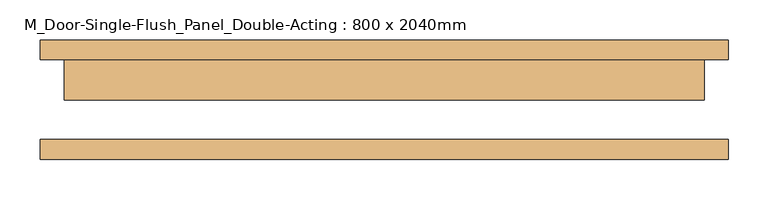
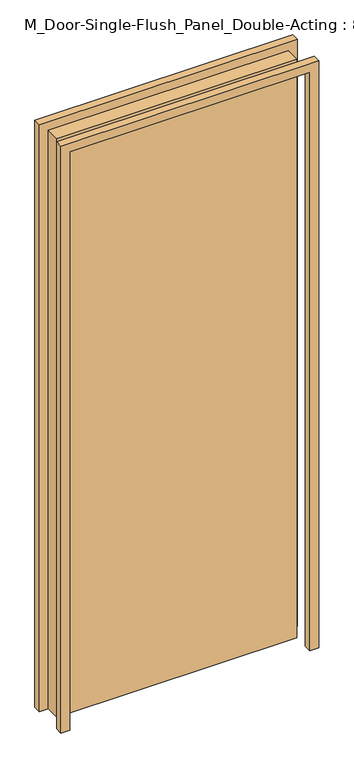
"""IFC4 building model written with IfcOpenShell, lengths in millimetres: door geometry, M_Door-Single-Flush_Panel_Double-Acting : 800 x 2040mm."""

from ifc_helpers import new_model, si_unit, frame, origin, origin_with_axes, place, context, project, spatial, polyline, outline, extrude, source, transform, mapped, element, save


def m_door_single_flush_panel_double_acting_800_x_2040mm_386a6dd9(model_context):
    return source(origin(), model_context, "Body", "SweptSolid", [
        extrude(outline(polyline([(400.0, 0.0), (-400.0, 0.0), (-400.0, 50.0), (400.0, 50.0), (400.0, 0.0)])), origin_with_axes(), (0.0, 0.0, 1.0), 2040.0),
        extrude(outline(polyline([(0.0, -400.0), (2040.0, -400.0), (2040.0, 400.0), (0.0, 400.0), (0.0, 430.0), (2070.0, 430.0), (2070.0, -430.0), (0.0, -430.0), (0.0, -400.0)])), frame((0.0, 50.0, 0.0), z_axis=(0.0, 1.0, 0.0), x_axis=(0.0, 0.0, 1.0)), (0.0, 0.0, 1.0), 25.0),
        extrude(outline(polyline([(0.0, 400.0), (0.0, 430.0), (2070.0, 430.0), (2070.0, -430.0), (0.0, -430.0), (0.0, -400.0), (2040.0, -400.0), (2040.0, 400.0), (0.0, 400.0)])), frame((0.0, -75.0, 0.0), z_axis=(0.0, 1.0, 0.0), x_axis=(0.0, 0.0, 1.0)), (0.0, 0.0, 1.0), 25.0),
    ])


if __name__ == "__main__":
    model = new_model("IFC4")
    model_context = context("Model", 3, world=origin())
    ifc_project = project(units=[si_unit("LENGTHUNIT", "METRE", prefix="MILLI")], contexts=[model_context])
    site = spatial("IfcSite", under=ifc_project)
    building = spatial("IfcBuilding", under=site)
    placement = place(None, origin())
    m_door_single_flush_panel_double_acting_800_x_2040mm_shape = m_door_single_flush_panel_double_acting_800_x_2040mm_386a6dd9(model_context)
    element("IfcDoor", 1, ObjectType="M_Door-Single-Flush_Panel_Double-Acting : 800 x 2040mm", at=placement, inside=building, context=model_context, shape_type="MappedRepresentation", body=[
        mapped(m_door_single_flush_panel_double_acting_800_x_2040mm_shape, transform((0.0, 0.0, 0.0), x_axis=(1.0, 0.0, 0.0), y_axis=(0.0, 1.0, 0.0), z_axis=(0.0, 0.0, 1.0))),
    ])
    save(model, "model.ifc")
